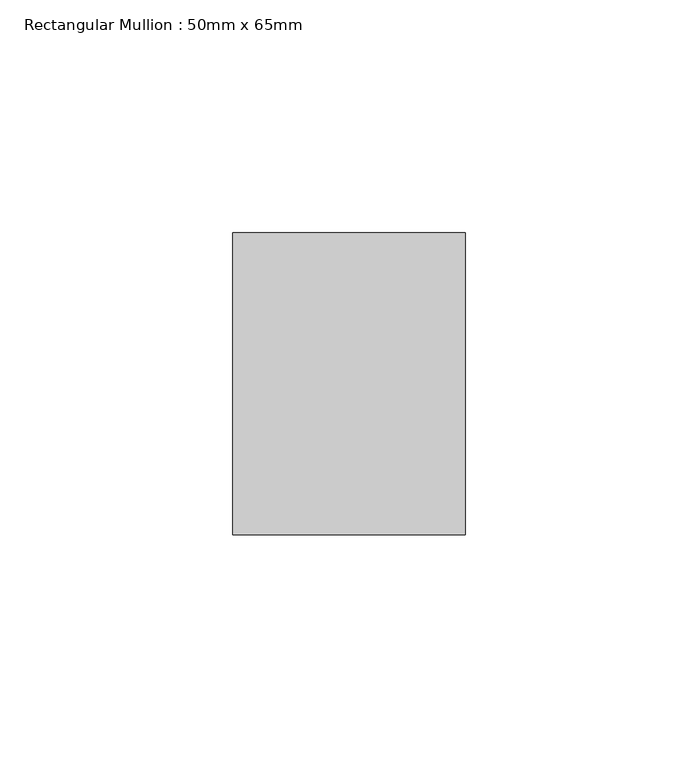
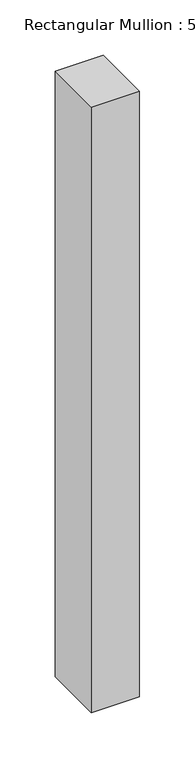
"""IFC4 building model written with IfcOpenShell, lengths in millimetres: member geometry, Rectangular Mullion : 50mm x 65mm."""

from ifc_helpers import new_model, si_unit, frame, origin, place, context, project, spatial, polyline, outline, extrude, source, transform, mapped, element, save


def rectangular_mullion_50mm_x_65mm_24a146b6(model_context):
    return source(origin(), model_context, "Body", "SweptSolid", [
        extrude(outline(polyline([(25.0, 32.5), (25.0, -32.5), (-25.0, -32.5), (-25.0, 32.5), (25.0, 32.5)])), frame((0.0, 0.0, -667.540386), z_axis=(0.0, 0.0, 1.0), x_axis=(1.0, 0.0, 0.0)), (0.0, 0.0, 1.0), 667.540386),
    ])


if __name__ == "__main__":
    model = new_model("IFC4")
    model_context = context("Model", 3, world=origin())
    ifc_project = project(units=[si_unit("LENGTHUNIT", "METRE", prefix="MILLI")], contexts=[model_context])
    site = spatial("IfcSite", under=ifc_project)
    building = spatial("IfcBuilding", under=site)
    placement = place(None, origin())
    rectangular_mullion_50mm_x_65mm_shape = rectangular_mullion_50mm_x_65mm_24a146b6(model_context)
    element("IfcMember", 1, ObjectType="Rectangular Mullion : 50mm x 65mm", at=placement, inside=building, context=model_context, shape_type="MappedRepresentation", body=[
        mapped(rectangular_mullion_50mm_x_65mm_shape, transform((0.0, 0.0, 0.0), x_axis=(1.0, 0.0, 0.0), y_axis=(0.0, 1.0, 0.0), z_axis=(0.0, 0.0, 1.0))),
    ])
    save(model, "model.ifc")
